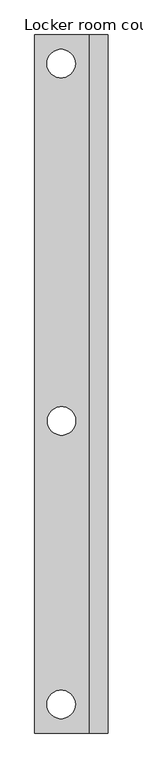
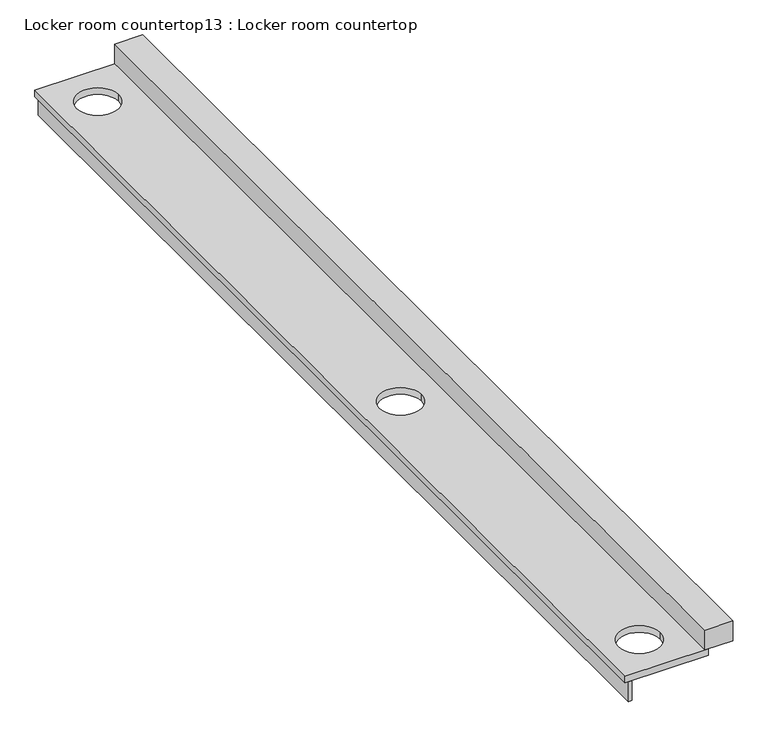
"""IFC4 building model written with IfcOpenShell, lengths in millimetres: furniture geometry, Locker room countertop13 : Locker room countertop."""

from ifc_helpers import new_model, si_unit, point, frame, frame_2d, origin, place, context, project, spatial, polyline, circle_curve, trimmed, segment, composite_curve, outline, extrude, source, transform, mapped, element, save


def locker_room_countertop13_locker_room_countertop_4ce41062(model_context):
    return source(origin(), model_context, "Body", "SweptSolid", [
        extrude(outline(polyline([(463192.6004676, -265430.8080223), (463192.6004676, -257960.0330223), (463218.0004676, -257960.0330223), (463218.0004676, -265430.8080223), (463192.6004676, -265430.8080223)])), frame((0.0, 0.0, 660.4), z_axis=(0.0, 0.0, 1.0), x_axis=(1.0, 0.0, 0.0)), (0.0, 0.0, 1.0), 152.4),
        extrude(outline(polyline([(463751.4004676, -257960.0330223), (463954.6004676, -257960.0330223), (463954.6004676, -265430.8080223), (463751.4004676, -265430.8080223), (463751.4004676, -257960.0330223)])), frame((0.0, 0.0, 863.6), z_axis=(0.0, 0.0, 1.0), x_axis=(1.0, 0.0, 0.0)), (0.0, 0.0, 1.0), 152.4),
        extrude(outline(polyline([(463167.2004676, -257960.0330223), (463776.8004676, -257960.0330223), (463776.8004676, -265430.8080223), (463167.2004676, -265430.8080223), (463167.2004676, -257960.0330223)]), holes=[composite_curve([segment(trimmed(circle_curve(frame_2d((463449.3892157, -258266.949689)), 152.4), [point((463601.7892157, -258266.949689))], [point((463296.9892157, -258266.949689))], True, "CARTESIAN"), True, "CONTINUOUS"), segment(trimmed(circle_curve(frame_2d((463449.3892157, -258266.949689)), 152.4), [point((463296.9892157, -258266.949689))], [point((463601.7892157, -258266.949689))], True, "CARTESIAN"), True, "CONTINUOUS")], self_intersect=False), composite_curve([segment(trimmed(circle_curve(frame_2d((463454.4484351, -262090.7714452)), 152.4), [point((463606.8484351, -262090.7714452))], [point((463302.0484351, -262090.7714452))], True, "CARTESIAN"), True, "CONTINUOUS"), segment(trimmed(circle_curve(frame_2d((463454.4484351, -262090.7714452)), 152.4), [point((463302.0484351, -262090.7714452))], [point((463606.8484351, -262090.7714452))], True, "CARTESIAN"), True, "CONTINUOUS")], self_intersect=False), composite_curve([segment(trimmed(circle_curve(frame_2d((463449.3892157, -265123.8913557)), 152.4), [point((463601.7892157, -265123.8913557))], [point((463296.9892157, -265123.8913557))], True, "CARTESIAN"), True, "CONTINUOUS"), segment(trimmed(circle_curve(frame_2d((463449.3892157, -265123.8913557)), 152.4), [point((463296.9892157, -265123.8913557))], [point((463601.7892157, -265123.8913557))], True, "CARTESIAN"), True, "CONTINUOUS")], self_intersect=False)]), frame((0.0, 0.0, 812.8), z_axis=(0.0, 0.0, 1.0), x_axis=(1.0, 0.0, 0.0)), (0.0, 0.0, 1.0), 50.8),
    ])


if __name__ == "__main__":
    model = new_model("IFC4")
    model_context = context("Model", 3, world=origin())
    ifc_project = project(units=[si_unit("LENGTHUNIT", "METRE", prefix="MILLI")], contexts=[model_context])
    site = spatial("IfcSite", under=ifc_project)
    building = spatial("IfcBuilding", under=site)
    placement = place(None, origin())
    locker_room_countertop13_locker_room_countertop_shape = locker_room_countertop13_locker_room_countertop_4ce41062(model_context)
    element("IfcFurniture", 1, ObjectType="Locker room countertop13 : Locker room countertop", at=placement, inside=building, context=model_context, shape_type="MappedRepresentation", body=[
        mapped(locker_room_countertop13_locker_room_countertop_shape, transform((0.0, 0.0, 0.0), x_axis=(1.0, 0.0, 0.0), y_axis=(0.0, 1.0, 0.0), z_axis=(0.0, 0.0, 1.0))),
    ])
    save(model, "model.ifc")
